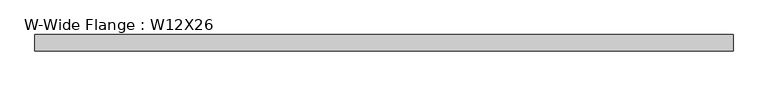
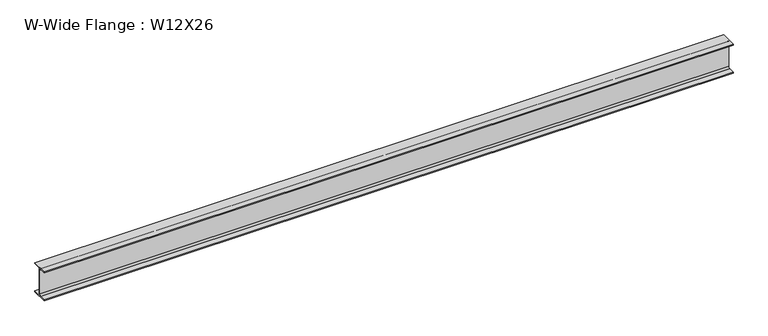
"""IFC4 building model written with IfcOpenShell, lengths in millimetres: beam geometry, W-Wide Flange : W12X26."""

from ifc_helpers import new_model, si_unit, point, frame, frame_2d, origin, place, context, project, spatial, polyline, circle_curve, trimmed, segment, composite_curve, outline, extrude, source, transform, mapped, element, save


def w_wide_flange_w12x26_7450648d(model_context):
    return source(origin(), model_context, "Body", "SweptSolid", [
        extrude(outline(composite_curve([segment(polyline([(82.4011719, -145.5539063), (82.4011719, -155.178125), (-82.4011719, -155.178125), (-82.4011719, -145.5539063), (-20.2902344, -145.5539063)]), True, "CONTINUOUS"), segment(trimmed(circle_curve(frame_2d((-20.2902344, -128.190625)), 17.3632812), [point((-20.2902344, -145.5539063))], [point((-2.9269531, -128.190625))], True, "CARTESIAN"), True, "CONTINUOUS"), segment(polyline([(-2.9269531, -128.190625), (-2.9269531, 128.190625)]), True, "CONTINUOUS"), segment(trimmed(circle_curve(frame_2d((-20.2902344, 128.190625)), 17.3632812), [point((-2.9269531, 128.190625))], [point((-20.2902344, 145.5539062))], True, "CARTESIAN"), True, "CONTINUOUS"), segment(polyline([(-20.2902344, 145.5539062), (-82.4011719, 145.5539062), (-82.4011719, 155.178125), (82.4011719, 155.178125), (82.4011719, 145.5539062), (20.2902344, 145.5539062)]), True, "CONTINUOUS"), segment(trimmed(circle_curve(frame_2d((20.2902344, 128.190625)), 17.3632812), [point((20.2902344, 145.5539062))], [point((2.9269531, 128.190625))], True, "CARTESIAN"), True, "CONTINUOUS"), segment(polyline([(2.9269531, 128.190625), (2.9269531, -128.190625)]), True, "CONTINUOUS"), segment(trimmed(circle_curve(frame_2d((20.2902344, -128.190625)), 17.3632812), [point((2.9269531, -128.190625))], [point((20.2902344, -145.5539063))], True, "CARTESIAN"), True, "CONTINUOUS"), segment(polyline([(20.2902344, -145.5539063), (82.4011719, -145.5539063)]), True, "CONTINUOUS")], self_intersect=False)), frame((-3486.2988281, 0.0, 0.0), z_axis=(1.0, 0.0, 0.0), x_axis=(0.0, 1.0, 0.0)), (0.0, 0.0, 1.0), 6972.5976562),
    ])


if __name__ == "__main__":
    model = new_model("IFC4")
    model_context = context("Model", 3, world=origin())
    ifc_project = project(units=[si_unit("LENGTHUNIT", "METRE", prefix="MILLI")], contexts=[model_context])
    site = spatial("IfcSite", under=ifc_project)
    building = spatial("IfcBuilding", under=site)
    placement = place(None, origin())
    w_wide_flange_w12x26_shape = w_wide_flange_w12x26_7450648d(model_context)
    element("IfcBeam", 1, ObjectType="W-Wide Flange : W12X26", at=placement, inside=building, context=model_context, shape_type="MappedRepresentation", body=[
        mapped(w_wide_flange_w12x26_shape, transform((0.0, 0.0, 0.0), x_axis=(1.0, 0.0, 0.0), y_axis=(0.0, 1.0, 0.0), z_axis=(0.0, 0.0, 1.0))),
    ])
    save(model, "model.ifc")
